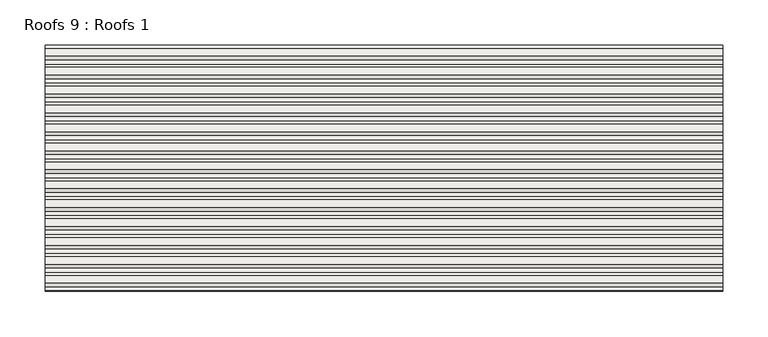
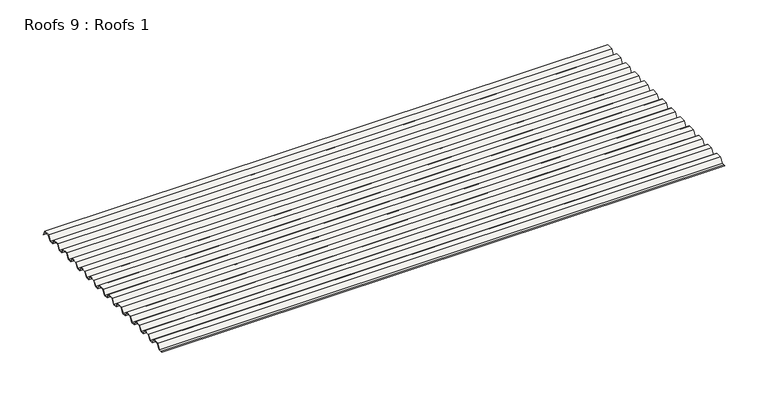
"""IFC4 building model written with IfcOpenShell, lengths in millimetres: roof geometry, Roofs 9 : Roofs 1."""

from ifc_helpers import new_model, si_unit, frame, origin, place, context, project, spatial, polyline, outline, extrude, source, transform, mapped, element, save


def roofs_9_roofs_1_a6837541(model_context):
    return source(origin(), model_context, "Body", "SweptSolid", [
        extrude(outline(polyline([(-9498.8136811, 125.4967546), (-9504.1340331, 125.4967546), (-9502.6524582, 125.8936296), (-9499.0291486, 125.8936296), (-9494.907277, 132.239777), (-9486.2475422, 132.239777), (-9483.0145815, 125.8936296), (-9478.1529215, 125.8936296), (-9474.03105, 132.239777), (-9465.3713152, 132.239777), (-9462.1383544, 125.8936296), (-9457.2766945, 125.8936296), (-9453.1548229, 132.239777), (-9444.4950881, 132.239777), (-9441.2621273, 125.8936296), (-9436.4004674, 125.8936296), (-9432.2785958, 132.239777), (-9423.618861, 132.239777), (-9420.3859003, 125.8936296), (-9415.5242403, 125.8936296), (-9411.4023688, 132.239777), (-9402.742634, 132.239777), (-9399.5096732, 125.8936296), (-9394.6480132, 125.8936296), (-9390.5261417, 132.239777), (-9381.8664069, 132.239777), (-9378.6334461, 125.8936296), (-9373.7717862, 125.8936296), (-9369.6499146, 132.239777), (-9360.9901798, 132.239777), (-9357.7572191, 125.8936296), (-9352.8955591, 125.8936296), (-9348.7736876, 132.239777), (-9340.1139528, 132.239777), (-9336.880992, 125.8936296), (-9332.019332, 125.8936296), (-9327.8974605, 132.239777), (-9319.2377257, 132.239777), (-9316.0047649, 125.8936296), (-9311.143105, 125.8936296), (-9307.0212334, 132.239777), (-9298.3614986, 132.239777), (-9295.1285378, 125.8936296), (-9290.2668779, 125.8936296), (-9286.1450063, 132.239777), (-9277.4852716, 132.239777), (-9274.2523108, 125.8936296), (-9269.3906508, 125.8936296), (-9265.2687793, 132.239777), (-9256.6090445, 132.239777), (-9253.3760837, 125.8936296), (-9248.5144238, 125.8936296), (-9244.3925522, 132.239777), (-9235.7328174, 132.239777), (-9232.7757887, 126.4352711), (-9232.7430812, 125.4967546), (-9235.9760419, 131.842902), (-9244.1770848, 131.842902), (-9248.2989563, 125.4967546), (-9253.6193082, 125.4967546), (-9256.852269, 131.842902), (-9265.0533118, 131.842902), (-9269.1751834, 125.4967546), (-9274.4955353, 125.4967546), (-9277.7284961, 131.842902), (-9285.9295389, 131.842902), (-9290.0514104, 125.4967546), (-9295.3717624, 125.4967546), (-9298.6047232, 131.842902), (-9306.805766, 131.842902), (-9310.9276375, 125.4967546), (-9316.2479894, 125.4967546), (-9319.4809502, 131.842902), (-9327.681993, 131.842902), (-9331.8038646, 125.4967546), (-9337.1242165, 125.4967546), (-9340.3571773, 131.842902), (-9348.5582201, 131.842902), (-9352.6800917, 125.4967546), (-9358.0004436, 125.4967546), (-9361.2334044, 131.842902), (-9369.4344472, 131.842902), (-9373.5563187, 125.4967546), (-9378.8766707, 125.4967546), (-9382.1096314, 131.842902), (-9390.3106742, 131.842902), (-9394.4325458, 125.4967546), (-9399.7528977, 125.4967546), (-9402.9858585, 131.842902), (-9411.1869013, 131.842902), (-9415.3087729, 125.4967546), (-9420.6291248, 125.4967546), (-9423.8620856, 131.842902), (-9432.0631284, 131.842902), (-9436.1849999, 125.4967546), (-9441.5053519, 125.4967546), (-9444.7383126, 131.842902), (-9452.9393554, 131.842902), (-9457.061227, 125.4967546), (-9462.3815789, 125.4967546), (-9465.6145397, 131.842902), (-9473.8155825, 131.842902), (-9477.9374541, 125.4967546), (-9483.257806, 125.4967546), (-9486.4907668, 131.842902), (-9494.6918096, 131.842902), (-9498.8136811, 125.4967546)])), frame((-2535.9698399, 0.0, 0.0), z_axis=(1.0, 0.0, 0.0), x_axis=(0.0, 1.0, 0.0)), (0.0, 0.0, 1.0), 747.2045751),
    ])


if __name__ == "__main__":
    model = new_model("IFC4")
    model_context = context("Model", 3, world=origin())
    ifc_project = project(units=[si_unit("LENGTHUNIT", "METRE", prefix="MILLI")], contexts=[model_context])
    site = spatial("IfcSite", under=ifc_project)
    building = spatial("IfcBuilding", under=site)
    placement = place(None, origin())
    roofs_9_roofs_1_shape = roofs_9_roofs_1_a6837541(model_context)
    element("IfcRoof", 1, ObjectType="Roofs 9 : Roofs 1", at=placement, inside=building, context=model_context, shape_type="MappedRepresentation", body=[
        mapped(roofs_9_roofs_1_shape, transform((0.0, 0.0, 0.0), x_axis=(1.0, 0.0, 0.0), y_axis=(0.0, 1.0, 0.0), z_axis=(0.0, 0.0, 1.0))),
    ])
    save(model, "model.ifc")
